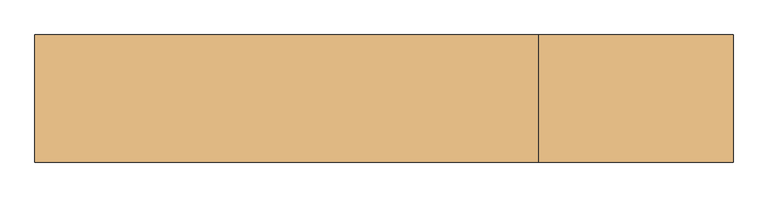
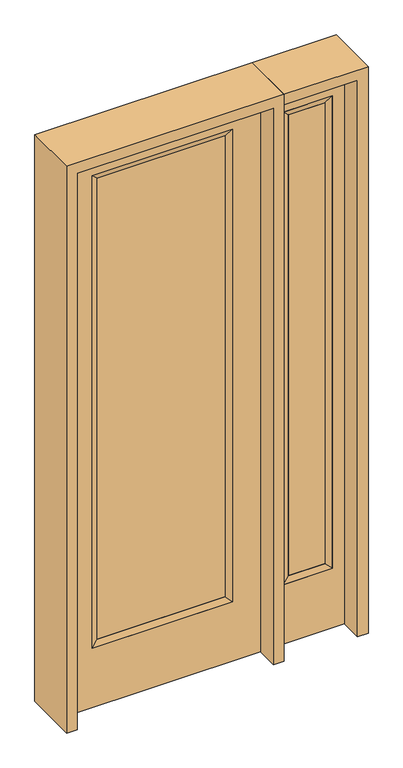
"""IFC4 building model written with IfcOpenShell, lengths in millimetres: door geometry."""

from ifc_helpers import new_model, si_unit, frame, origin, place, context, project, spatial, polyline, outline, extrude, faceted_brep, source, transform, mapped, element, save


def door_f56424c9(model_context):
    return source(origin(), model_context, "Body", "SolidModel", [
        extrude(outline(polyline([(265.5824, -12.7039749), (-265.5824, -12.7039749), (-265.5824, 14.2875), (265.5824, 14.2875), (265.5824, -12.7039749)])), frame((0.0, 0.0, 285.75), z_axis=(0.0, 0.0, 1.0), x_axis=(1.0, 0.0, 0.0)), (0.0, 0.0, 1.0), 2019.3),
        faceted_brep([(265.5824, 14.2875, 2305.05), (290.9824, 22.225, 2330.45), (290.9824, 22.225, 260.35), (265.5824, 14.2875, 285.75), (290.9824, -22.225, 2330.45), (290.9824, -22.225, 260.35), (-290.9824, 22.225, 260.35), (-265.5824, 14.2875, 285.75), (265.5824, -12.7039749, 2305.05), (265.5824, -12.7039749, 285.75), (-265.5824, -12.7039749, 285.75), (-290.9824, -22.225, 260.35), (-290.9824, 22.225, 2330.45), (-265.5824, 14.2875, 2305.05), (-265.5824, -12.7039749, 2305.05), (-290.9824, -22.225, 2330.45)], [[[0, 1, 2, 3]], [[1, 4, 5, 2]], [[3, 2, 6, 7]], [[8, 0, 3, 9]], [[9, 3, 7, 10]], [[4, 8, 9, 5]], [[5, 9, 10, 11]], [[2, 5, 11, 6]], [[7, 6, 12, 13]], [[10, 7, 13, 14]], [[11, 10, 14, 15]], [[6, 11, 15, 12]], [[13, 12, 1, 0]], [[14, 13, 0, 8]], [[15, 14, 8, 4]], [[12, 15, 4, 1]]]),
        extrude(outline(polyline([(0.0, -406.4), (0.0, 406.4), (2438.4, 406.4), (2438.4, -406.4), (0.0, -406.4)]), holes=[polyline([(260.35, -290.9824), (2330.45, -290.9824), (2330.45, 290.9824), (260.35, 290.9824), (260.35, -290.9824)])]), frame((0.0, -22.225, 0.0), z_axis=(0.0, 1.0, 0.0), x_axis=(0.0, 0.0, 1.0)), (0.0, 0.0, 1.0), 44.45),
        faceted_brep([(501.65, 20.6375, 2330.45), (501.65, 20.6375, 260.35), (501.65, -20.6375, 260.35), (501.65, -20.6375, 2330.45), (527.05, -12.7, 285.75), (527.05, -12.7, 2305.05), (704.85, 20.6375, 260.35), (704.85, -20.6375, 260.35), (527.05, 12.7, 2305.05), (527.05, 12.7, 285.75), (679.45, 12.7, 285.75), (679.45, -12.7, 285.75), (704.85, 20.6375, 2330.45), (704.85, -20.6375, 2330.45), (679.45, 12.7, 2305.05), (679.45, -12.7, 2305.05)], [[[0, 1, 2, 3]], [[3, 2, 4, 5]], [[1, 6, 7, 2]], [[8, 9, 1, 0]], [[9, 10, 6, 1]], [[5, 4, 9, 8]], [[4, 11, 10, 9]], [[2, 7, 11, 4]], [[6, 12, 13, 7]], [[10, 14, 12, 6]], [[11, 15, 14, 10]], [[7, 13, 15, 11]], [[12, 0, 3, 13]], [[14, 8, 0, 12]], [[15, 5, 8, 14]], [[13, 3, 5, 15]]]),
        extrude(outline(polyline([(0.0, 755.65), (2438.4, 755.65), (2438.4, 450.85), (0.0, 450.85), (0.0, 755.65)]), holes=[polyline([(2330.45, 501.65), (2330.45, 704.85), (260.35, 704.85), (260.35, 501.65), (2330.45, 501.65)])]), frame((0.0, -20.6375, 0.0), z_axis=(0.0, 1.0, 0.0), x_axis=(0.0, 0.0, 1.0)), (0.0, 0.0, 1.0), 41.275),
        extrude(outline(polyline([(527.05, -12.7), (527.05, 12.7), (679.45, 12.7), (679.45, -12.7), (527.05, -12.7)])), frame((0.0, 0.0, 284.95625), z_axis=(0.0, 0.0, 1.0), x_axis=(1.0, 0.0, 0.0)), (0.0, 0.0, 1.0), 2020.09375),
        extrude(outline(polyline([(2482.85, -450.85), (0.0, -450.85), (0.0, -406.4), (2438.4, -406.4), (2438.4, 406.4), (0.0, 406.4), (0.0, 450.85), (2482.85, 450.85), (2482.85, -450.85)])), frame((0.0, -114.3, 0.0), z_axis=(0.0, 1.0, 0.0), x_axis=(0.0, 0.0, 1.0)), (0.0, 0.0, 1.0), 228.6),
        extrude(outline(polyline([(0.0, 755.65), (0.0, 800.1), (2482.85, 800.1), (2482.85, 450.85), (2438.4, 450.85), (2438.4, 755.65), (0.0, 755.65)])), frame((0.0, -114.3, 0.0), z_axis=(0.0, 1.0, 0.0), x_axis=(0.0, 0.0, 1.0)), (0.0, 0.0, 1.0), 228.6),
    ])


if __name__ == "__main__":
    model = new_model("IFC4")
    model_context = context("Model", 3, world=origin())
    ifc_project = project(units=[si_unit("LENGTHUNIT", "METRE", prefix="MILLI")], contexts=[model_context])
    site = spatial("IfcSite", under=ifc_project)
    building = spatial("IfcBuilding", under=site)
    placement = place(None, origin())
    door_shape = door_f56424c9(model_context)
    element("IfcDoor", 1, at=placement, inside=building, context=model_context, shape_type="MappedRepresentation", body=[
        mapped(door_shape, transform((0.0, 0.0, 0.0), x_axis=(1.0, 0.0, 0.0), y_axis=(0.0, 1.0, 0.0), z_axis=(0.0, 0.0, 1.0))),
    ])
    save(model, "model.ifc")
